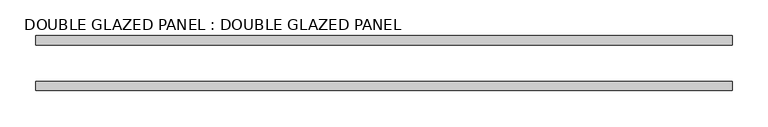
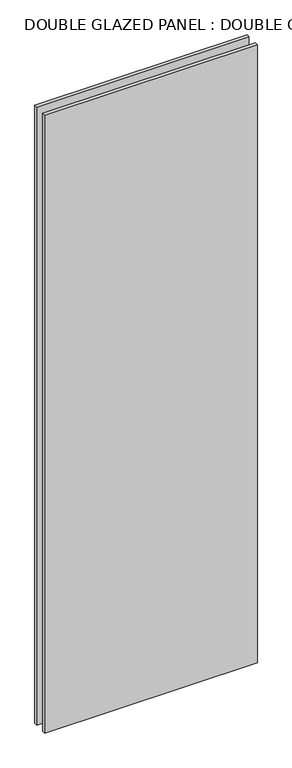
"""IFC4 building model written with IfcOpenShell, lengths in millimetres: plate geometry, DOUBLE GLAZED PANEL : DOUBLE GLAZED PANEL."""

from ifc_helpers import new_model, si_unit, origin, origin_with_axes, place, context, project, spatial, polyline, outline, extrude, source, transform, mapped, element, save


def double_glazed_panel_double_glazed_panel_4ed39544(model_context):
    return source(origin(), model_context, "Body", "SweptSolid", [
        extrude(outline(polyline([(484.1875, 6.35), (484.1875, -6.35), (-484.1875, -6.35), (-484.1875, 6.35), (484.1875, 6.35)])), origin_with_axes(), (0.0, 0.0, 1.0), 2971.8),
        extrude(outline(polyline([(484.1875, 69.85), (484.1875, 57.15), (-484.1875, 57.15), (-484.1875, 69.85), (484.1875, 69.85)])), origin_with_axes(), (0.0, 0.0, 1.0), 2971.8),
    ])


if __name__ == "__main__":
    model = new_model("IFC4")
    model_context = context("Model", 3, world=origin())
    ifc_project = project(units=[si_unit("LENGTHUNIT", "METRE", prefix="MILLI")], contexts=[model_context])
    site = spatial("IfcSite", under=ifc_project)
    building = spatial("IfcBuilding", under=site)
    placement = place(None, origin())
    double_glazed_panel_double_glazed_panel_shape = double_glazed_panel_double_glazed_panel_4ed39544(model_context)
    element("IfcPlate", 1, ObjectType="DOUBLE GLAZED PANEL : DOUBLE GLAZED PANEL", at=placement, inside=building, context=model_context, shape_type="MappedRepresentation", body=[
        mapped(double_glazed_panel_double_glazed_panel_shape, transform((0.0, 0.0, 0.0), x_axis=(1.0, 0.0, 0.0), y_axis=(0.0, 1.0, 0.0), z_axis=(0.0, 0.0, 1.0))),
    ])
    save(model, "model.ifc")
